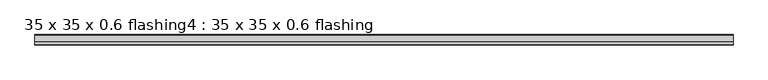
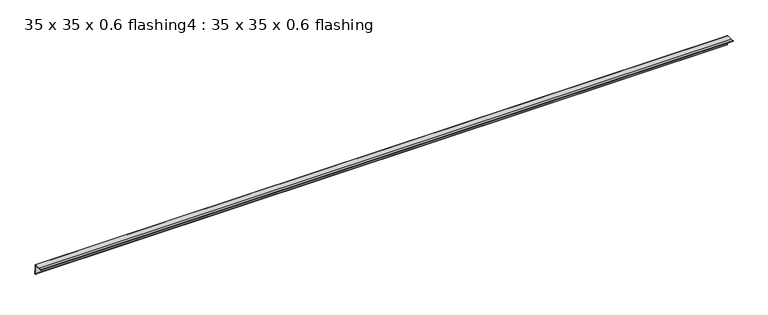
"""IFC4 building model written with IfcOpenShell, lengths in millimetres: proxy geometry, 35 x 35 x 0.6 flashing4 : 35 x 35 x 0.6 flashing."""

from ifc_helpers import new_model, si_unit, point, frame, frame_2d, origin, place, context, project, spatial, polyline, circle_curve, trimmed, segment, composite_curve, outline, extrude, source, transform, mapped, element, save


def proxy_35_x_35_x_0_6_flashing4_35_x_35_x_0_6_flashing_e935adce(model_context):
    return source(origin(), model_context, "Body", "SweptSolid", [
        extrude(outline(composite_curve([segment(polyline([(-1209.8701898, 1425.3887139), (-1187.3701898, 1425.3887139)]), True, "CONTINUOUS"), segment(trimmed(circle_curve(frame_2d((-1187.3701898, 1422.8887139)), 2.5), [point((-1187.3701898, 1425.3887139))], [point((-1184.8701898, 1422.8887139))], False, "CARTESIAN"), True, "CONTINUOUS"), segment(polyline([(-1184.8701898, 1422.8887139), (-1184.8701898, 1400.3887139), (-1183.8701898, 1400.3887139), (-1183.8701898, 1391.3560365)]), True, "CONTINUOUS"), segment(trimmed(circle_curve(frame_2d((-1184.8701898, 1391.3560365)), 1.0), [point((-1183.8701898, 1391.3560365))], [point((-1185.8701898, 1391.3560365))], False, "CARTESIAN"), True, "CONTINUOUS"), segment(polyline([(-1185.8701898, 1391.3560365), (-1185.8701898, 1422.8887139)]), True, "CONTINUOUS"), segment(trimmed(circle_curve(frame_2d((-1187.3701898, 1422.8887139)), 1.5), [point((-1185.8701898, 1422.8887139))], [point((-1187.3701898, 1424.3887139))], True, "CARTESIAN"), True, "CONTINUOUS"), segment(polyline([(-1187.3701898, 1424.3887139), (-1218.8719739, 1424.3887139)]), True, "CONTINUOUS"), segment(trimmed(circle_curve(frame_2d((-1218.8719739, 1425.3887139)), 1.0), [point((-1218.8719739, 1424.3887139))], [point((-1218.8719739, 1426.3887139))], False, "CARTESIAN"), True, "CONTINUOUS"), segment(polyline([(-1218.8719739, 1426.3887139), (-1209.8701898, 1426.3887139), (-1209.8701898, 1425.3887139)]), True, "CONTINUOUS")], self_intersect=False)), frame((-10619.6640929, 0.0, 0.0), z_axis=(1.0, 0.0, 0.0), x_axis=(0.0, 1.0, 0.0)), (0.0, 0.0, 1.0), 2410.6438934),
    ])


if __name__ == "__main__":
    model = new_model("IFC4")
    model_context = context("Model", 3, world=origin())
    ifc_project = project(units=[si_unit("LENGTHUNIT", "METRE", prefix="MILLI")], contexts=[model_context])
    site = spatial("IfcSite", under=ifc_project)
    building = spatial("IfcBuilding", under=site)
    placement = place(None, origin())
    proxy_35_x_35_x_0_6_flashing4_35_x_35_x_0_6_flashing_shape = proxy_35_x_35_x_0_6_flashing4_35_x_35_x_0_6_flashing_e935adce(model_context)
    element("IfcBuildingElementProxy", 1, Name="35 x 35 x 0.6 flashing4 : 35 x 35 x 0.6 flashing", ObjectType="35 x 35 x 0.6 flashing4 : 35 x 35 x 0.6 flashing", at=placement, inside=building, context=model_context, shape_type="MappedRepresentation", body=[
        mapped(proxy_35_x_35_x_0_6_flashing4_35_x_35_x_0_6_flashing_shape, transform((0.0, 0.0, 0.0), x_axis=(1.0, 0.0, 0.0), y_axis=(0.0, 1.0, 0.0), z_axis=(0.0, 0.0, 1.0))),
    ])
    save(model, "model.ifc")
